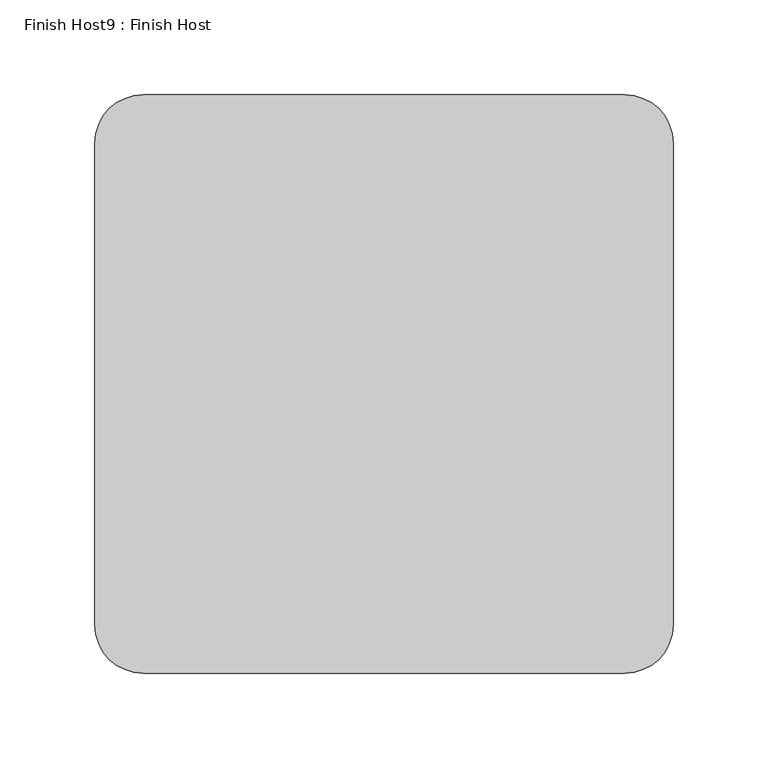
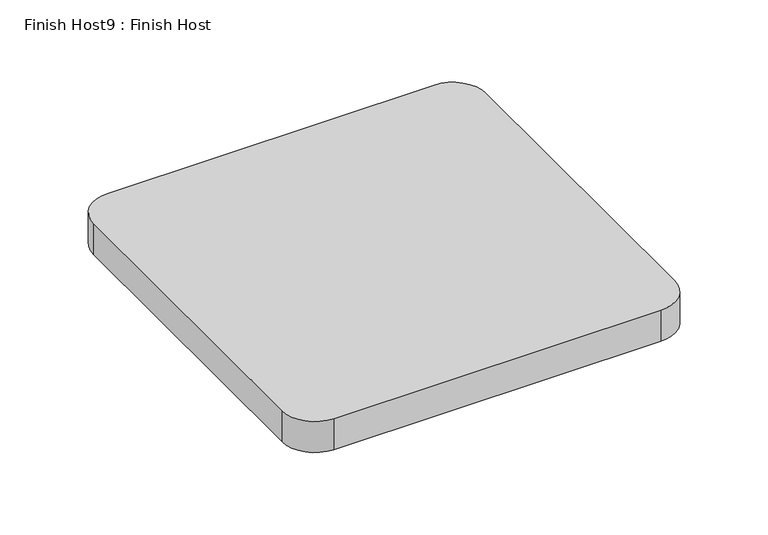
"""IFC4 building model written with IfcOpenShell, lengths in millimetres: proxy geometry, Finish Host9 : Finish Host."""

from ifc_helpers import new_model, si_unit, point, frame_2d, origin, origin_with_axes, place, context, project, spatial, polyline, circle_curve, trimmed, segment, composite_curve, outline, extrude, source, transform, mapped, element, save


def finish_host9_finish_host_b86020ca(model_context):
    return source(origin(), model_context, "Body", "SweptSolid", [
        extrude(outline(composite_curve([segment(polyline([(5001.0934426, 1206.8122951), (5001.0934426, 1460.8122951)]), True, "CONTINUOUS"), segment(trimmed(circle_curve(frame_2d((5026.4934426, 1460.8122951)), 25.4), [point((5001.0934426, 1460.8122951))], [point((5026.4934426, 1486.2122951))], False, "CARTESIAN"), True, "CONTINUOUS"), segment(polyline([(5026.4934426, 1486.2122951), (5280.4934426, 1486.2122951)]), True, "CONTINUOUS"), segment(trimmed(circle_curve(frame_2d((5280.4934426, 1460.8122951)), 25.4), [point((5280.4934426, 1486.2122951))], [point((5305.8934426, 1460.8122951))], False, "CARTESIAN"), True, "CONTINUOUS"), segment(polyline([(5305.8934426, 1460.8122951), (5305.8934426, 1206.8122951)]), True, "CONTINUOUS"), segment(trimmed(circle_curve(frame_2d((5280.4934426, 1206.8122951)), 25.4), [point((5305.8934426, 1206.8122951))], [point((5280.4934426, 1181.4122951))], False, "CARTESIAN"), True, "CONTINUOUS"), segment(polyline([(5280.4934426, 1181.4122951), (5026.4934426, 1181.4122951)]), True, "CONTINUOUS"), segment(trimmed(circle_curve(frame_2d((5026.4934426, 1206.8122951)), 25.4), [point((5026.4934426, 1181.4122951))], [point((5001.0934426, 1206.8122951))], False, "CARTESIAN"), True, "CONTINUOUS")], self_intersect=False)), origin_with_axes(), (0.0, 0.0, 1.0), 25.4),
    ])


if __name__ == "__main__":
    model = new_model("IFC4")
    model_context = context("Model", 3, world=origin())
    ifc_project = project(units=[si_unit("LENGTHUNIT", "METRE", prefix="MILLI")], contexts=[model_context])
    site = spatial("IfcSite", under=ifc_project)
    building = spatial("IfcBuilding", under=site)
    placement = place(None, origin())
    finish_host9_finish_host_shape = finish_host9_finish_host_b86020ca(model_context)
    element("IfcBuildingElementProxy", 1, Name="Finish Host9 : Finish Host", ObjectType="Finish Host9 : Finish Host", at=placement, inside=building, context=model_context, shape_type="MappedRepresentation", body=[
        mapped(finish_host9_finish_host_shape, transform((0.0, 0.0, 0.0), x_axis=(1.0, 0.0, 0.0), y_axis=(0.0, 1.0, 0.0), z_axis=(0.0, 0.0, 1.0))),
    ])
    save(model, "model.ifc")
